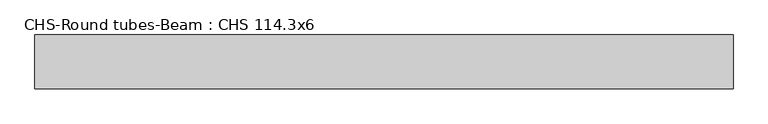
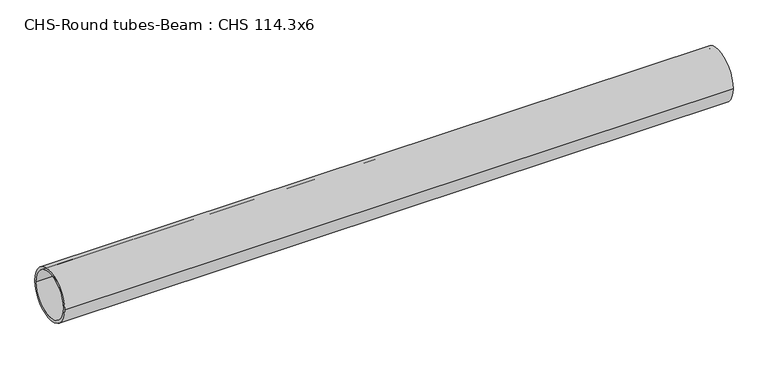
"""IFC4 building model written with IfcOpenShell, lengths in millimetres: beam geometry, CHS-Round tubes-Beam : CHS 114.3x6."""

from ifc_helpers import new_model, si_unit, point, frame, origin, origin_2d, place, context, project, spatial, circle_curve, trimmed, segment, composite_curve, outline, extrude, source, transform, mapped, element, save


def chs_round_tubes_beam_chs_114_3x6_b644243b(model_context):
    return source(origin(), model_context, "Body", "SweptSolid", [
        extrude(outline(composite_curve([segment(trimmed(circle_curve(origin_2d(), 57.15), [point((57.15, 0.0))], [point((-57.15, 0.0))], False, "CARTESIAN"), True, "CONTINUOUS"), segment(trimmed(circle_curve(origin_2d(), 57.15), [point((-57.15, 0.0))], [point((57.15, 0.0))], False, "CARTESIAN"), True, "CONTINUOUS")], self_intersect=False), holes=[composite_curve([segment(trimmed(circle_curve(origin_2d(), 51.15), [point((51.15, 0.0))], [point((-51.15, 0.0))], True, "CARTESIAN"), True, "CONTINUOUS"), segment(trimmed(circle_curve(origin_2d(), 51.15), [point((-51.15, 0.0))], [point((51.15, 0.0))], True, "CARTESIAN"), True, "CONTINUOUS")], self_intersect=False)]), frame((-759.2838388, 0.0, 0.0), z_axis=(1.0, 0.0, 0.0), x_axis=(0.0, 1.0, 0.0)), (0.0, 0.0, 1.0), 1483.6613608),
    ])


if __name__ == "__main__":
    model = new_model("IFC4")
    model_context = context("Model", 3, world=origin())
    ifc_project = project(units=[si_unit("LENGTHUNIT", "METRE", prefix="MILLI")], contexts=[model_context])
    site = spatial("IfcSite", under=ifc_project)
    building = spatial("IfcBuilding", under=site)
    placement = place(None, origin())
    chs_round_tubes_beam_chs_114_3x6_shape = chs_round_tubes_beam_chs_114_3x6_b644243b(model_context)
    element("IfcBeam", 1, ObjectType="CHS-Round tubes-Beam : CHS 114.3x6", at=placement, inside=building, context=model_context, shape_type="MappedRepresentation", body=[
        mapped(chs_round_tubes_beam_chs_114_3x6_shape, transform((0.0, 0.0, 0.0), x_axis=(1.0, 0.0, 0.0), y_axis=(0.0, 1.0, 0.0), z_axis=(0.0, 0.0, 1.0))),
    ])
    save(model, "model.ifc")
